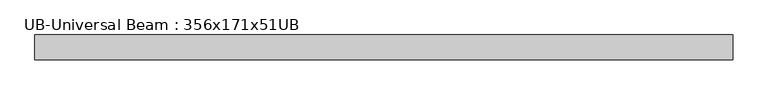
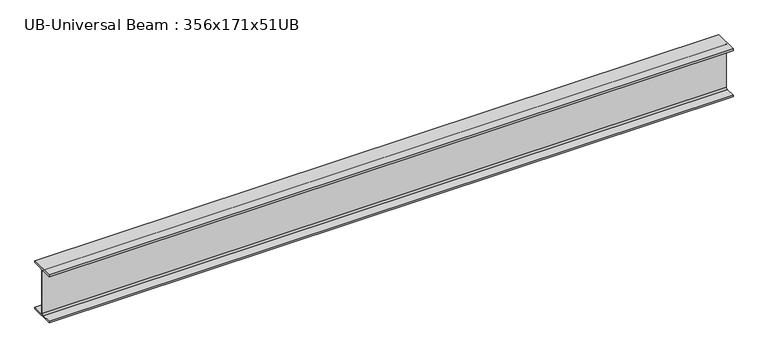
"""IFC4 building model written with IfcOpenShell, lengths in millimetres: beam geometry, UB-Universal Beam : 356x171x51UB."""

from ifc_helpers import new_model, si_unit, point, frame, frame_2d, origin, place, context, project, spatial, polyline, circle_curve, trimmed, segment, composite_curve, outline, extrude, source, transform, mapped, element, save


def ub_universal_beam_356x171x51ub_58db8ff0(model_context):
    return source(origin(), model_context, "Body", "SweptSolid", [
        extrude(outline(composite_curve([segment(polyline([(85.75, -166.0), (85.75, -177.5), (-85.75, -177.5), (-85.75, -166.0), (-13.9, -166.0)]), True, "CONTINUOUS"), segment(trimmed(circle_curve(frame_2d((-13.9, -155.8)), 10.2), [point((-13.9, -166.0))], [point((-3.7, -155.8))], True, "CARTESIAN"), True, "CONTINUOUS"), segment(polyline([(-3.7, -155.8), (-3.7, 155.8)]), True, "CONTINUOUS"), segment(trimmed(circle_curve(frame_2d((-13.9, 155.8)), 10.2), [point((-3.7, 155.8))], [point((-13.9, 166.0))], True, "CARTESIAN"), True, "CONTINUOUS"), segment(polyline([(-13.9, 166.0), (-85.75, 166.0), (-85.75, 177.5), (85.75, 177.5), (85.75, 166.0), (13.9, 166.0)]), True, "CONTINUOUS"), segment(trimmed(circle_curve(frame_2d((13.9, 155.8)), 10.2), [point((13.9, 166.0))], [point((3.7, 155.8))], True, "CARTESIAN"), True, "CONTINUOUS"), segment(polyline([(3.7, 155.8), (3.7, -155.8)]), True, "CONTINUOUS"), segment(trimmed(circle_curve(frame_2d((13.9, -155.8)), 10.2), [point((3.7, -155.8))], [point((13.9, -166.0))], True, "CARTESIAN"), True, "CONTINUOUS"), segment(polyline([(13.9, -166.0), (85.75, -166.0)]), True, "CONTINUOUS")], self_intersect=False)), frame((-2392.3, 0.0, 0.0), z_axis=(1.0, 0.0, 0.0), x_axis=(0.0, 1.0, 0.0)), (0.0, 0.0, 1.0), 4784.6),
    ])


if __name__ == "__main__":
    model = new_model("IFC4")
    model_context = context("Model", 3, world=origin())
    ifc_project = project(units=[si_unit("LENGTHUNIT", "METRE", prefix="MILLI")], contexts=[model_context])
    site = spatial("IfcSite", under=ifc_project)
    building = spatial("IfcBuilding", under=site)
    placement = place(None, origin())
    ub_universal_beam_356x171x51ub_shape = ub_universal_beam_356x171x51ub_58db8ff0(model_context)
    element("IfcBeam", 1, ObjectType="UB-Universal Beam : 356x171x51UB", at=placement, inside=building, context=model_context, shape_type="MappedRepresentation", body=[
        mapped(ub_universal_beam_356x171x51ub_shape, transform((0.0, 0.0, 0.0), x_axis=(1.0, 0.0, 0.0), y_axis=(0.0, 1.0, 0.0), z_axis=(0.0, 0.0, 1.0))),
    ])
    save(model, "model.ifc")
